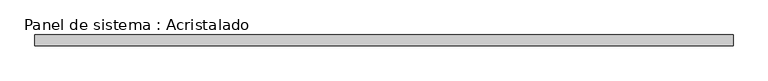
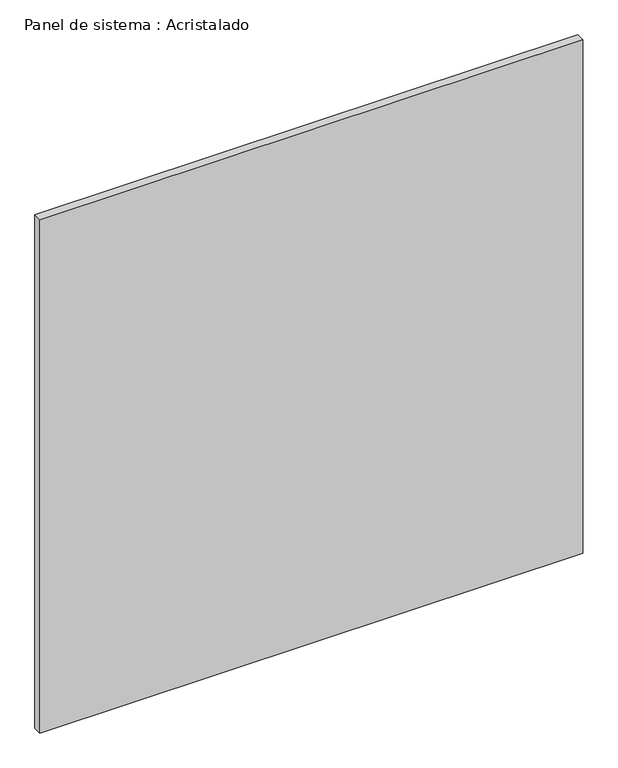
"""IFC4 building model written with IfcOpenShell, lengths in millimetres: plate geometry, Panel de sistema : Acristalado."""

from ifc_helpers import new_model, si_unit, origin, origin_with_axes, place, context, project, spatial, polyline, outline, extrude, source, transform, mapped, element, save


def panel_de_sistema_acristalado_f37aaf3c(model_context):
    return source(origin(), model_context, "Body", "SweptSolid", [
        extrude(outline(polyline([(650.1718299, -10.0), (-650.1718299, -10.0), (-650.1718299, 10.0), (650.1718299, 10.0), (650.1718299, -10.0)])), origin_with_axes(), (0.0, 0.0, 1.0), 1300.0),
    ])


if __name__ == "__main__":
    model = new_model("IFC4")
    model_context = context("Model", 3, world=origin())
    ifc_project = project(units=[si_unit("LENGTHUNIT", "METRE", prefix="MILLI")], contexts=[model_context])
    site = spatial("IfcSite", under=ifc_project)
    building = spatial("IfcBuilding", under=site)
    placement = place(None, origin())
    panel_de_sistema_acristalado_shape = panel_de_sistema_acristalado_f37aaf3c(model_context)
    element("IfcPlate", 1, ObjectType="Panel de sistema : Acristalado", at=placement, inside=building, context=model_context, shape_type="MappedRepresentation", body=[
        mapped(panel_de_sistema_acristalado_shape, transform((0.0, 0.0, 0.0), x_axis=(1.0, 0.0, 0.0), y_axis=(0.0, 1.0, 0.0), z_axis=(0.0, 0.0, 1.0))),
    ])
    save(model, "model.ifc")
